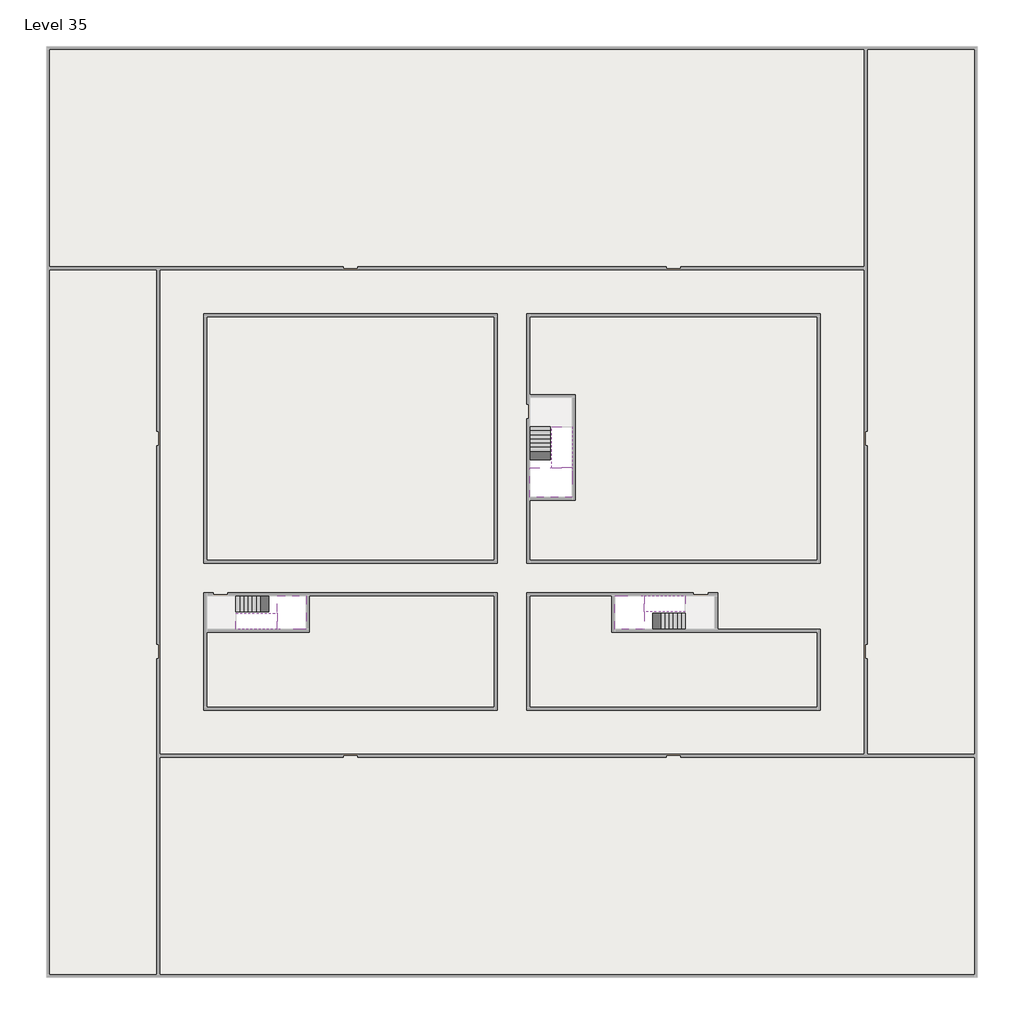
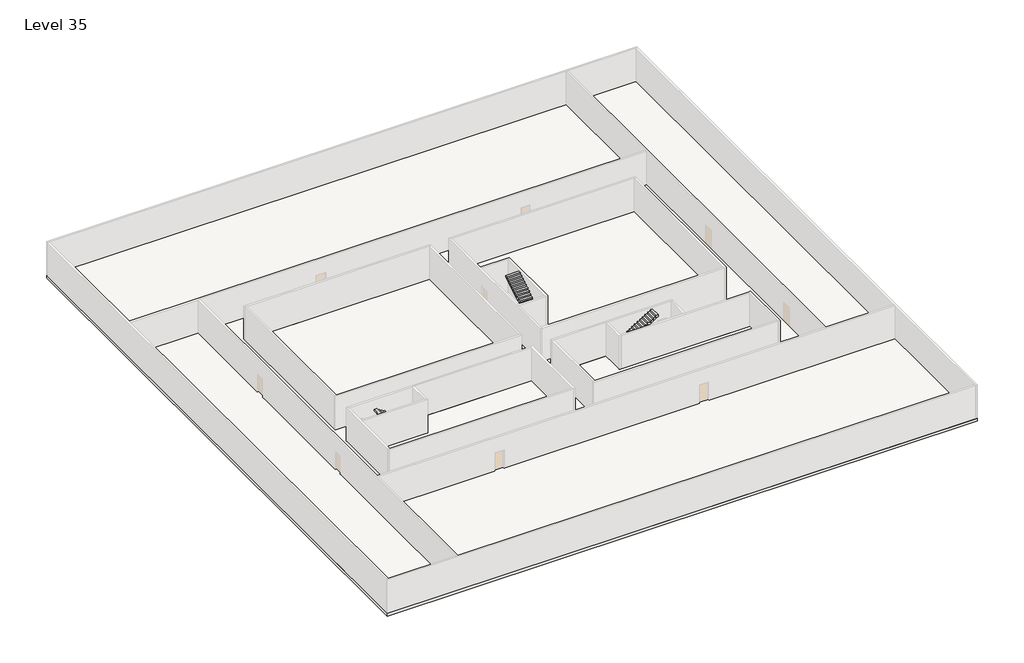
# One storey, part 2 of 2: 6 stair flights, 5 slabs.
"""IFC4 building model written with IfcOpenShell, lengths in millimetres."""

import ifcopenshell
import ifcopenshell.guid

model = None  # the IFC model being written
_history = None  # IfcOwnerHistory: only IFC2X3 demands one
_inside = {}  # id of a spatial element -> (the spatial element, [elements in it])
_under = {}  # id of a project, library or spatial element -> (it, [spatial elements below it])
_declared = {}  # id of a project -> (the project, [libraries it declares])
_typed = {}  # id of a type object -> (the type object, [elements of that type])
_made_of = {}  # id of a material, layer set ... -> (it, [elements and type objects made of it])


def new_model(schema):
    """Start an empty IFC model of exactly this schema.

    Asked for "IFC4X3", IfcOpenShell would pick the latest addendum, in which some entities
    have other attributes; the version numbers below select the first issue.
    IFC2X3 requires an IfcOwnerHistory on every rooted entity: one is made here for all.
    """
    global model, _history
    if schema == "IFC4X3":
        model = ifcopenshell.file(schema_version=(4, 3, 0, 0))
    else:
        model = ifcopenshell.file(schema=schema)
    _inside.clear()
    _under.clear()
    _declared.clear()
    _typed.clear()
    _made_of.clear()
    _history = None
    if model.schema == "IFC2X3":
        org = make("IfcOrganization", Name="unknown")
        user = make(
            "IfcPersonAndOrganization",
            ThePerson=make("IfcPerson", FamilyName="unknown"),
            TheOrganization=org,
        )
        app = make(
            "IfcApplication",
            ApplicationDeveloper=org,
            Version="unknown",
            ApplicationFullName="unknown",
            ApplicationIdentifier="unknown",
        )
        _history = make(
            "IfcOwnerHistory",
            OwningUser=user,
            OwningApplication=app,
            ChangeAction="ADDED",
            CreationDate=0,
        )
    return model


def make(cls, **values):
    """One entity of the class cls with the attributes given. An attribute that is None is left unset."""
    return model.create_entity(
        cls, **{name: value for name, value in values.items() if value is not None}
    )


def rooted(cls, **values):
    """An entity with a GlobalId (a new one), such as an element, a storey or a relation."""
    return make(cls, GlobalId=ifcopenshell.guid.new(), OwnerHistory=_history, **values)


def si_unit(unit_type, name, prefix=None):
    """IfcSIUnit, for example si_unit("LENGTHUNIT", "METRE", prefix="MILLI")."""
    return make("IfcSIUnit", UnitType=unit_type, Prefix=prefix, Name=name)


def assignment(units):
    """IfcUnitAssignment: the units of a project."""
    return None if units is None else make("IfcUnitAssignment", Units=units)


def point(xyz):
    """IfcCartesianPoint."""
    return None if xyz is None else make("IfcCartesianPoint", Coordinates=xyz)


def direction(xyz):
    """IfcDirection."""
    return None if xyz is None else make("IfcDirection", DirectionRatios=xyz)


def frame(location, z_axis=None, x_axis=None):
    """IfcAxis2Placement3D, a coordinate frame: its origin and axes. An axis left out is left unset."""
    return make(
        "IfcAxis2Placement3D",
        Location=point(location),
        Axis=direction(z_axis),
        RefDirection=direction(x_axis),
    )


def origin():
    """The frame at (0, 0, 0) with its axes left unset."""
    return frame((0.0, 0.0, 0.0))


def place(relative_to, where):
    """IfcLocalPlacement: puts the frame where relative to a parent placement (None: the world)."""
    return make(
        "IfcLocalPlacement", PlacementRelTo=relative_to, RelativePlacement=where
    )


def context(
    kind, dimensions, precision=None, world=None, true_north=None, identifier=None
):
    """IfcGeometricRepresentationContext, for example the 3D "Model" context."""
    return make(
        "IfcGeometricRepresentationContext",
        ContextIdentifier=identifier,
        ContextType=kind,
        CoordinateSpaceDimension=dimensions,
        Precision=precision,
        WorldCoordinateSystem=world,
        TrueNorth=true_north,
    )


def project(units=None, contexts=None):
    """IfcProject with its units and contexts."""
    return rooted(
        "IfcProject",
        Name="project",
        RepresentationContexts=contexts,
        UnitsInContext=assignment(units),
    )


def spatial(cls, under=None, at=None, **own):
    """A site, building, storey or space (cls), placed at a placement, below another one or the project."""
    s = rooted(cls, ObjectPlacement=at, **own)
    if under is not None:
        _under.setdefault(under.id(), (under, []))[1].append(s)
    return s


def polyline(points):
    """IfcPolyline through the points."""
    return make("IfcPolyline", Points=[point(p) for p in points])


def outline(outer, holes=None, kind="AREA"):
    """IfcArbitraryClosedProfileDef: a profile drawn as a closed curve; with holes, ...WithVoids."""
    if holes is None:
        return make("IfcArbitraryClosedProfileDef", ProfileType=kind, OuterCurve=outer)
    return make(
        "IfcArbitraryProfileDefWithVoids",
        ProfileType=kind,
        OuterCurve=outer,
        InnerCurves=holes,
    )


def extrude(swept, where, along, depth):
    """IfcExtrudedAreaSolid: the profile swept, set in the frame where, extruded along a direction by depth."""
    return make(
        "IfcExtrudedAreaSolid",
        SweptArea=swept,
        Position=where,
        ExtrudedDirection=direction(along),
        Depth=depth,
    )


def faces_of(points, faces, orient=None, outer=None):
    """IfcFace entities. A face is a list of loops; a loop is a list of indices into points, from 0.

    orient and outer hold one flag for each loop. By default every Orientation is true, the
    first loop of a face is its IfcFaceOuterBound and the others are IfcFaceBound.
    """
    made = []
    for i, loops in enumerate(faces):
        bounds = []
        for j, loop in enumerate(loops):
            is_outer = j == 0 if outer is None else outer[i][j]
            bounds.append(
                make(
                    "IfcFaceOuterBound" if is_outer else "IfcFaceBound",
                    Bound=make("IfcPolyLoop", Polygon=[points[k] for k in loop]),
                    Orientation=True if orient is None else orient[i][j],
                )
            )
        made.append(make("IfcFace", Bounds=bounds))
    return made


def faceted_brep(points, faces, orient=None, outer=None, voids=None):
    """IfcFacetedBrep: a solid bounded by flat faces; with voids (closed shells), ...WithVoids."""
    shared = [point(p) for p in points]
    hull = make("IfcClosedShell", CfsFaces=faces_of(shared, faces, orient, outer))
    if voids is None:
        return make("IfcFacetedBrep", Outer=hull)
    return make(
        "IfcFacetedBrepWithVoids",
        Outer=hull,
        Voids=[
            make(cls, CfsFaces=faces_of(shared, fs, o, b)) for cls, fs, o, b in voids
        ],
    )


def shape(context_of_items, identifier, shape_type, items):
    """IfcShapeRepresentation: the items that make up one representation, for example the "Body"."""
    return make(
        "IfcShapeRepresentation",
        ContextOfItems=context_of_items,
        RepresentationIdentifier=identifier,
        RepresentationType=shape_type,
        Items=items,
    )


def made_of(thing, what):
    """Note that an element or type object is made of a material, layer set ...; save() writes the relation."""
    if what is not None:
        _made_of.setdefault(what.id(), (what, []))[1].append(thing)
    return thing


def element(
    cls,
    number,
    at=None,
    inside=None,
    cuts=None,
    type_object=None,
    material=None,
    context=None,
    identifier="Body",
    shape_type=None,
    held_by="IfcProductDefinitionShape",
    body=None,
    shapes=None,
    **own,
):
    """One element of the class cls, such as IfcWall. Its Tag is "e" and its number.

    at: its placement. inside: the storey or other place that contains it. cuts: it is an
    opening in that element (IfcRelVoidsElement). A single representation is given by context,
    identifier, shape_type and body (its items); several are given by shapes. held_by: the class
    of the entity that holds the representations. save() writes the other relations.
    """
    e = rooted(cls, Tag="e%d" % number, ObjectPlacement=at, **own)
    if body is not None:
        shapes = [shape(context, identifier, shape_type, body)]
    if shapes is not None:
        e.Representation = make(held_by, Representations=shapes)
    if inside is not None:
        _inside.setdefault(inside.id(), (inside, []))[1].append(e)
    if cuts is not None:
        rooted(
            "IfcRelVoidsElement", RelatingBuildingElement=cuts, RelatedOpeningElement=e
        )
    if type_object is not None:
        _typed.setdefault(type_object.id(), (type_object, []))[1].append(e)
    return made_of(e, material)


def aggregate(whole, parts):
    """IfcRelAggregates: a whole, such as a stair, and the parts it consists of."""
    return rooted("IfcRelAggregates", RelatingObject=whole, RelatedObjects=parts)


def save(model, path):
    """Write the relations noted so far, then the file.

    IfcRelAggregates (storeys below a building ...), IfcRelContainedInSpatialStructure (elements
    in a storey), IfcRelDefinesByType, IfcRelAssociatesMaterial and IfcRelDeclares: one each for
    every whole, place, type object, material and project.
    """
    for whole, parts in _under.values():
        aggregate(whole, parts)
    for where, things in _inside.values():
        rooted(
            "IfcRelContainedInSpatialStructure",
            RelatedElements=things,
            RelatingStructure=where,
        )
    for kind, things in _typed.values():
        rooted("IfcRelDefinesByType", RelatedObjects=things, RelatingType=kind)
    for what, things in _made_of.values():
        rooted("IfcRelAssociatesMaterial", RelatedObjects=things, RelatingMaterial=what)
    for by, libraries in _declared.values():
        rooted("IfcRelDeclares", RelatingContext=by, RelatedDefinitions=libraries)
    model.write(path)


model = new_model("IFC4")

# Units and contexts
model_context = context("Model", 3, world=origin())
ifc_project = project(units=[si_unit("LENGTHUNIT", "METRE", prefix="MILLI")], contexts=[model_context])

# Site, building, storey
site = spatial("IfcSite", under=ifc_project)
building = spatial("IfcBuilding", under=site)
storey = spatial("IfcBuildingStorey", under=building, Name="Level 35", Elevation=129200.0)

# Slabs
placement = place(None, origin())
element("IfcSlab", 1, at=placement, inside=storey, context=model_context, shape_type="Brep", body=[
    faceted_brep([(8190.1058784, -42918.09644, 131100.0), (8190.1058784, -44018.09644, 131100.0), (8190.1058784, -44118.09644, 131100.0), (8190.1058784, -45218.09644, 131100.0), (8390.7194421, -45218.09644, 131100.0), (10190.1058784, -45218.09644, 131100.0), (10190.1058784, -42918.09644, 131100.0), (8269.4923146, -42918.09644, 131100.0), (8190.1058784, -42918.09644, 130927.2727273), (8190.1058784, -42918.09644, 130751.0278478), (8190.1058784, -44018.09644, 130751.0278478), (8190.1058784, -44018.09644, 130800.0), (8190.1058784, -44118.09644, 130800.0), (8190.1058784, -44118.09644, 130923.7551205), (8190.1058784, -45218.09644, 130923.7551205), (8390.7194421, -45218.09644, 130800.0), (10190.1058784, -45218.09644, 130800.0), (10190.1058784, -42918.09644, 130800.0), (8269.4923146, -42918.09644, 130800.0), (8390.7194421, -44118.09644, 130800.0), (8269.4923146, -44018.09644, 130800.0)], [[[0, 1, 2, 3, 4, 5, 6, 7]], [[1, 0, 8, 9, 10, 11]], [[2, 1, 11, 12, 13]], [[3, 2, 13, 14]], [[3, 14, 15, 16, 5, 4]], [[6, 5, 16, 17]], [[9, 8, 0, 7, 6, 17, 18]], [[19, 12, 11, 20, 18, 17, 16, 15]], [[12, 19, 13]], [[18, 20, 10, 9]], [[20, 11, 10]], [[19, 15, 14, 13]]]),
])
element("IfcSlab", 2, at=placement, inside=storey, context=model_context, shape_type="Brep", body=[
    faceted_brep([(33190.1058784, -45218.09644, 131100.0), (33190.1058784, -44118.09644, 131100.0), (33190.1058784, -44018.09644, 131100.0), (33190.1058784, -42918.09644, 131100.0), (32989.4923146, -42918.09644, 131100.0), (31190.1058784, -42918.09644, 131100.0), (31190.1058784, -45218.09644, 131100.0), (33110.7194421, -45218.09644, 131100.0), (33190.1058784, -45218.09644, 130927.2727273), (33190.1058784, -45218.09644, 130751.0278478), (33190.1058784, -44118.09644, 130751.0278478), (33190.1058784, -44118.09644, 130800.0), (33190.1058784, -44018.09644, 130800.0), (33190.1058784, -44018.09644, 130923.7551205), (33190.1058784, -42918.09644, 130923.7551205), (32989.4923146, -42918.09644, 130800.0), (31190.1058784, -42918.09644, 130800.0), (31190.1058784, -45218.09644, 130800.0), (33110.7194421, -45218.09644, 130800.0), (32989.4923146, -44018.09644, 130800.0), (33110.7194421, -44118.09644, 130800.0)], [[[0, 1, 2, 3, 4, 5, 6, 7]], [[1, 0, 8, 9, 10, 11]], [[2, 1, 11, 12, 13]], [[3, 2, 13, 14]], [[3, 14, 15, 16, 5, 4]], [[6, 5, 16, 17]], [[9, 8, 0, 7, 6, 17, 18]], [[19, 12, 11, 20, 18, 17, 16, 15]], [[12, 19, 13]], [[18, 20, 10, 9]], [[20, 11, 10]], [[19, 15, 14, 13]]]),
])
element("IfcSlab", 3, at=placement, inside=storey, context=model_context, shape_type="Brep", body=[
    faceted_brep([(26790.1058784, -34218.09644, 131100.0), (25390.1058784, -34218.09644, 131100.0), (25390.1058784, -34297.4828763, 131100.0), (25390.1058784, -36218.09644, 131100.0), (28290.1058784, -36218.09644, 131100.0), (28290.1058784, -34418.7100038, 131100.0), (28290.1058784, -34218.09644, 131100.0), (26890.1058784, -34218.09644, 131100.0), (26790.1058784, -34218.09644, 130800.0), (26790.1058784, -34218.09644, 130751.0278478), (25390.1058784, -34218.09644, 130751.0278478), (25390.1058784, -34218.09644, 130927.2727273), (25390.1058784, -34297.4828763, 130800.0), (25390.1058784, -36218.09644, 130800.0), (28290.1058784, -36218.09644, 130800.0), (28290.1058784, -34418.7100038, 130800.0), (28290.1058784, -34218.09644, 130923.7551205), (26890.1058784, -34218.09644, 130923.7551205), (26890.1058784, -34218.09644, 130800.0), (26890.1058784, -34418.7100038, 130800.0), (26790.1058784, -34297.4828763, 130800.0)], [[[0, 1, 2, 3, 4, 5, 6, 7]], [[1, 0, 8, 9, 10, 11]], [[1, 11, 10, 12, 13, 3, 2]], [[4, 3, 13, 14]], [[4, 14, 15, 16, 6, 5]], [[7, 6, 16, 17]], [[0, 7, 17, 18, 8]], [[18, 19, 15, 14, 13, 12, 20, 8]], [[19, 18, 17]], [[20, 12, 10, 9]], [[8, 20, 9]], [[15, 19, 17, 16]]]),
])
element("IfcSlab", 4, at=placement, inside=storey, context=model_context, shape_type="SweptSolid", body=[
    extrude(outline(polyline([(55890.1058784, -5518.09644), (55890.1058784, -68918.09644), (-7509.8941216, -68918.09644), (-7509.8941216, -5518.09644), (55890.1058784, -5518.09644)]), holes=[polyline([(22990.1058784, -23918.09644), (3390.1058784, -23918.09644), (3390.1058784, -40518.09644), (22990.1058784, -40518.09644), (22990.1058784, -23918.09644)]), polyline([(44990.1058784, -23918.09644), (25390.1058784, -23918.09644), (25390.1058784, -40518.09644), (44990.1058784, -40518.09644), (44990.1058784, -23918.09644)]), polyline([(37990.1058784, -42918.09644), (25390.1058784, -42918.09644), (25390.1058784, -50518.09644), (44990.1058784, -50518.09644), (44990.1058784, -45418.09644), (37990.1058784, -45418.09644), (37990.1058784, -42918.09644)]), polyline([(22990.1058784, -42918.09644), (3390.1058784, -42918.09644), (3390.1058784, -50518.09644), (22990.1058784, -50518.09644), (22990.1058784, -42918.09644)])]), frame((0.0, 0.0, 128900.0), z_axis=(0.0, 0.0, 1.0), x_axis=(1.0, 0.0, 0.0)), (0.0, 0.0, 1.0), 300.0),
])
element("IfcSlab", 5, at=placement, inside=storey, context=model_context, shape_type="SweptSolid", body=[
    extrude(outline(polyline([(22990.1058784, -23918.09644), (22990.1058784, -40518.09644), (3390.1058784, -40518.09644), (3390.1058784, -23918.09644), (22990.1058784, -23918.09644)])), frame((0.0, 0.0, 128900.0), z_axis=(0.0, 0.0, 1.0), x_axis=(1.0, 0.0, 0.0)), (0.0, 0.0, 1.0), 300.0),
    extrude(outline(polyline([(44990.1058784, -23918.09644), (44990.1058784, -40518.09644), (25390.1058784, -40518.09644), (25390.1058784, -36418.09644), (28490.1058784, -36418.09644), (28490.1058784, -29218.09644), (25390.1058784, -29218.09644), (25390.1058784, -23918.09644), (44990.1058784, -23918.09644)])), frame((0.0, 0.0, 128900.0), z_axis=(0.0, 0.0, 1.0), x_axis=(1.0, 0.0, 0.0)), (0.0, 0.0, 1.0), 300.0),
    extrude(outline(polyline([(22990.1058784, -42918.09644), (22990.1058784, -50518.09644), (3390.1058784, -50518.09644), (3390.1058784, -45418.09644), (10390.1058784, -45418.09644), (10390.1058784, -42918.09644), (22990.1058784, -42918.09644)])), frame((0.0, 0.0, 128900.0), z_axis=(0.0, 0.0, 1.0), x_axis=(1.0, 0.0, 0.0)), (0.0, 0.0, 1.0), 300.0),
    extrude(outline(polyline([(30990.1058784, -42918.09644), (30990.1058784, -45418.09644), (44990.1058784, -45418.09644), (44990.1058784, -50518.09644), (25390.1058784, -50518.09644), (25390.1058784, -42918.09644), (30990.1058784, -42918.09644)])), frame((0.0, 0.0, 128900.0), z_axis=(0.0, 0.0, 1.0), x_axis=(1.0, 0.0, 0.0)), (0.0, 0.0, 1.0), 300.0),
])

# Stair flights
element("IfcStairFlight", 6, at=placement, inside=storey, context=model_context, shape_type="Brep", body=[
    faceted_brep([(5670.1058784, -42918.09644, 129372.7272727), (5390.1058784, -42918.09644, 129372.7272727), (5390.1058784, -44018.09644, 129372.7272727), (5670.1058784, -44018.09644, 129372.7272727), (5670.1058784, -42918.09644, 129200.0), (5390.1058784, -42918.09644, 129200.0), (5390.1058784, -44018.09644, 129200.0), (5670.1058784, -44018.09644, 129200.0), (5950.1058784, -42918.09644, 129545.4545455), (5670.1058784, -42918.09644, 129545.4545455), (5670.1058784, -44018.09644, 129545.4545455), (5950.1058784, -44018.09644, 129545.4545455), (5950.1058784, -42918.09644, 129369.209666), (5675.8081041, -42918.09644, 129200.0), (5675.8081041, -44018.09644, 129200.0), (5950.1058784, -44018.09644, 129369.209666), (6230.1058784, -42918.09644, 129718.1818182), (5950.1058784, -42918.09644, 129718.1818182), (5950.1058784, -44018.09644, 129718.1818182), (6230.1058784, -44018.09644, 129718.1818182), (6230.1058784, -42918.09644, 129541.9369387), (6230.1058784, -44018.09644, 129541.9369387), (6510.1058784, -42918.09644, 129890.9090909), (6230.1058784, -42918.09644, 129890.9090909), (6230.1058784, -44018.09644, 129890.9090909), (6510.1058784, -44018.09644, 129890.9090909), (6510.1058784, -42918.09644, 129714.6642114), (6510.1058784, -44018.09644, 129714.6642114), (6790.1058784, -42918.09644, 130063.6363636), (6510.1058784, -42918.09644, 130063.6363636), (6510.1058784, -44018.09644, 130063.6363636), (6790.1058784, -44018.09644, 130063.6363636), (6790.1058784, -42918.09644, 129887.3914841), (6790.1058784, -44018.09644, 129887.3914841), (7070.1058784, -42918.09644, 130236.3636364), (6790.1058784, -42918.09644, 130236.3636364), (6790.1058784, -44018.09644, 130236.3636364), (7070.1058784, -44018.09644, 130236.3636364), (7070.1058784, -42918.09644, 130060.1187569), (7070.1058784, -44018.09644, 130060.1187569), (7350.1058784, -42918.09644, 130409.0909091), (7070.1058784, -42918.09644, 130409.0909091), (7070.1058784, -44018.09644, 130409.0909091), (7350.1058784, -44018.09644, 130409.0909091), (7350.1058784, -42918.09644, 130232.8460296), (7350.1058784, -44018.09644, 130232.8460296), (7630.1058784, -42918.09644, 130581.8181818), (7350.1058784, -42918.09644, 130581.8181818), (7350.1058784, -44018.09644, 130581.8181818), (7630.1058784, -44018.09644, 130581.8181818), (7630.1058784, -42918.09644, 130405.5733023), (7630.1058784, -44018.09644, 130405.5733023), (7910.1058784, -42918.09644, 130754.5454545), (7630.1058784, -42918.09644, 130754.5454545), (7630.1058784, -44018.09644, 130754.5454545), (7910.1058784, -44018.09644, 130754.5454545), (7910.1058784, -42918.09644, 130578.3005751), (7910.1058784, -44018.09644, 130578.3005751), (8190.1058784, -42918.09644, 130927.2727273), (7910.1058784, -42918.09644, 130927.2727273), (7910.1058784, -44018.09644, 130927.2727273), (8190.1058784, -44018.09644, 130927.2727273), (8190.1058784, -42918.09644, 130751.0278478), (8190.1058784, -44018.09644, 130751.0278478), (8190.1058784, -44018.09644, 130800.0)], [[[0, 1, 2, 3]], [[1, 0, 4, 5]], [[2, 1, 5, 6]], [[3, 2, 6, 7]], [[8, 9, 10, 11]], [[4, 0, 9, 8, 12, 13]], [[0, 3, 10, 9]], [[3, 7, 14, 15, 11, 10]], [[16, 17, 18, 19]], [[17, 16, 20, 12, 8]], [[8, 11, 18, 17]], [[19, 18, 11, 15, 21]], [[22, 23, 24, 25]], [[23, 22, 26, 20, 16]], [[16, 19, 24, 23]], [[25, 24, 19, 21, 27]], [[28, 29, 30, 31]], [[29, 28, 32, 26, 22]], [[22, 25, 30, 29]], [[31, 30, 25, 27, 33]], [[34, 35, 36, 37]], [[35, 34, 38, 32, 28]], [[28, 31, 36, 35]], [[37, 36, 31, 33, 39]], [[40, 41, 42, 43]], [[41, 40, 44, 38, 34]], [[34, 37, 42, 41]], [[43, 42, 37, 39, 45]], [[46, 47, 48, 49]], [[47, 46, 50, 44, 40]], [[40, 43, 48, 47]], [[49, 48, 43, 45, 51]], [[52, 53, 54, 55]], [[53, 52, 56, 50, 46]], [[46, 49, 54, 53]], [[55, 54, 49, 51, 57]], [[58, 59, 60, 61]], [[59, 58, 62, 56, 52]], [[52, 55, 60, 59]], [[61, 60, 55, 57, 63, 64]], [[58, 61, 64, 63, 62]], [[5, 4, 13, 14, 7, 6]], [[14, 13, 12, 20, 26, 32, 38, 44, 50, 56, 62, 63, 57, 51, 45, 39, 33, 27, 21, 15]]]),
])
element("IfcStairFlight", 7, at=placement, inside=storey, context=model_context, shape_type="Brep", body=[
    faceted_brep([(7910.1058784, -45218.09644, 131272.7272727), (8190.1058784, -45218.09644, 131272.7272727), (8190.1058784, -44118.09644, 131272.7272727), (7910.1058784, -44118.09644, 131272.7272727), (7910.1058784, -45218.09644, 131096.4823932), (8190.1058784, -45218.09644, 130923.7551205), (8190.1058784, -45218.09644, 131100.0), (8190.1058784, -44118.09644, 130923.7551205), (7910.1058784, -44118.09644, 131096.4823932), (7630.1058784, -45218.09644, 131445.4545455), (7910.1058784, -45218.09644, 131445.4545455), (7910.1058784, -44118.09644, 131445.4545455), (7630.1058784, -44118.09644, 131445.4545455), (7630.1058784, -45218.09644, 131269.209666), (7630.1058784, -44118.09644, 131269.209666), (7350.1058784, -45218.09644, 131618.1818182), (7630.1058784, -45218.09644, 131618.1818182), (7630.1058784, -44118.09644, 131618.1818182), (7350.1058784, -44118.09644, 131618.1818182), (7350.1058784, -45218.09644, 131441.9369387), (7350.1058784, -44118.09644, 131441.9369387), (7070.1058784, -45218.09644, 131790.9090909), (7350.1058784, -45218.09644, 131790.9090909), (7350.1058784, -44118.09644, 131790.9090909), (7070.1058784, -44118.09644, 131790.9090909), (7070.1058784, -45218.09644, 131614.6642114), (7070.1058784, -44118.09644, 131614.6642114), (6790.1058784, -45218.09644, 131963.6363636), (7070.1058784, -45218.09644, 131963.6363636), (7070.1058784, -44118.09644, 131963.6363636), (6790.1058784, -44118.09644, 131963.6363636), (6790.1058784, -45218.09644, 131787.3914841), (6790.1058784, -44118.09644, 131787.3914841), (6510.1058784, -45218.09644, 132136.3636364), (6790.1058784, -45218.09644, 132136.3636364), (6790.1058784, -44118.09644, 132136.3636364), (6510.1058784, -44118.09644, 132136.3636364), (6510.1058784, -45218.09644, 131960.1187569), (6510.1058784, -44118.09644, 131960.1187569), (6230.1058784, -45218.09644, 132309.0909091), (6510.1058784, -45218.09644, 132309.0909091), (6510.1058784, -44118.09644, 132309.0909091), (6230.1058784, -44118.09644, 132309.0909091), (6230.1058784, -45218.09644, 132132.8460296), (6230.1058784, -44118.09644, 132132.8460296), (5950.1058784, -45218.09644, 132481.8181818), (6230.1058784, -45218.09644, 132481.8181818), (6230.1058784, -44118.09644, 132481.8181818), (5950.1058784, -44118.09644, 132481.8181818), (5950.1058784, -45218.09644, 132305.5733023), (5950.1058784, -44118.09644, 132305.5733023), (5670.1058784, -45218.09644, 132654.5454545), (5950.1058784, -45218.09644, 132654.5454545), (5950.1058784, -44118.09644, 132654.5454545), (5670.1058784, -44118.09644, 132654.5454545), (5670.1058784, -45218.09644, 132478.3005751), (5670.1058784, -44118.09644, 132478.3005751), (5390.1058784, -45218.09644, 132827.2727273), (5670.1058784, -45218.09644, 132827.2727273), (5670.1058784, -44118.09644, 132827.2727273), (5390.1058784, -44118.09644, 132827.2727273), (5390.1058784, -45218.09644, 132651.0278478), (5390.1058784, -44118.09644, 132651.0278478)], [[[0, 1, 2, 3]], [[1, 0, 4, 5, 6]], [[2, 1, 6, 5, 7]], [[3, 2, 7, 8]], [[9, 10, 11, 12]], [[10, 9, 13, 4, 0]], [[11, 10, 0, 3]], [[12, 11, 3, 8, 14]], [[15, 16, 17, 18]], [[16, 15, 19, 13, 9]], [[17, 16, 9, 12]], [[18, 17, 12, 14, 20]], [[21, 22, 23, 24]], [[22, 21, 25, 19, 15]], [[23, 22, 15, 18]], [[24, 23, 18, 20, 26]], [[27, 28, 29, 30]], [[28, 27, 31, 25, 21]], [[29, 28, 21, 24]], [[30, 29, 24, 26, 32]], [[33, 34, 35, 36]], [[34, 33, 37, 31, 27]], [[35, 34, 27, 30]], [[36, 35, 30, 32, 38]], [[39, 40, 41, 42]], [[40, 39, 43, 37, 33]], [[41, 40, 33, 36]], [[42, 41, 36, 38, 44]], [[45, 46, 47, 48]], [[46, 45, 49, 43, 39]], [[47, 46, 39, 42]], [[48, 47, 42, 44, 50]], [[51, 52, 53, 54]], [[52, 51, 55, 49, 45]], [[53, 52, 45, 48]], [[54, 53, 48, 50, 56]], [[57, 58, 59, 60]], [[58, 57, 61, 55, 51]], [[59, 58, 51, 54]], [[60, 59, 54, 56, 62]], [[57, 60, 62, 61]], [[5, 4, 13, 19, 25, 31, 37, 43, 49, 55, 61, 62, 56, 50, 44, 38, 32, 26, 20, 14, 8, 7]]]),
])
element("IfcStairFlight", 8, at=placement, inside=storey, context=model_context, shape_type="Brep", body=[
    faceted_brep([(35710.1058784, -45218.09644, 129372.7272727), (35990.1058784, -45218.09644, 129372.7272727), (35990.1058784, -44118.09644, 129372.7272727), (35710.1058784, -44118.09644, 129372.7272727), (35710.1058784, -45218.09644, 129200.0), (35990.1058784, -45218.09644, 129200.0), (35990.1058784, -44118.09644, 129200.0), (35710.1058784, -44118.09644, 129200.0), (35430.1058784, -45218.09644, 129545.4545455), (35710.1058784, -45218.09644, 129545.4545455), (35710.1058784, -44118.09644, 129545.4545455), (35430.1058784, -44118.09644, 129545.4545455), (35430.1058784, -45218.09644, 129369.209666), (35704.4036527, -45218.09644, 129200.0), (35704.4036527, -44118.09644, 129200.0), (35430.1058784, -44118.09644, 129369.209666), (35150.1058784, -45218.09644, 129718.1818182), (35430.1058784, -45218.09644, 129718.1818182), (35430.1058784, -44118.09644, 129718.1818182), (35150.1058784, -44118.09644, 129718.1818182), (35150.1058784, -45218.09644, 129541.9369387), (35150.1058784, -44118.09644, 129541.9369387), (34870.1058784, -45218.09644, 129890.9090909), (35150.1058784, -45218.09644, 129890.9090909), (35150.1058784, -44118.09644, 129890.9090909), (34870.1058784, -44118.09644, 129890.9090909), (34870.1058784, -45218.09644, 129714.6642114), (34870.1058784, -44118.09644, 129714.6642114), (34590.1058784, -45218.09644, 130063.6363636), (34870.1058784, -45218.09644, 130063.6363636), (34870.1058784, -44118.09644, 130063.6363636), (34590.1058784, -44118.09644, 130063.6363636), (34590.1058784, -45218.09644, 129887.3914841), (34590.1058784, -44118.09644, 129887.3914841), (34310.1058784, -45218.09644, 130236.3636364), (34590.1058784, -45218.09644, 130236.3636364), (34590.1058784, -44118.09644, 130236.3636364), (34310.1058784, -44118.09644, 130236.3636364), (34310.1058784, -45218.09644, 130060.1187569), (34310.1058784, -44118.09644, 130060.1187569), (34030.1058784, -45218.09644, 130409.0909091), (34310.1058784, -45218.09644, 130409.0909091), (34310.1058784, -44118.09644, 130409.0909091), (34030.1058784, -44118.09644, 130409.0909091), (34030.1058784, -45218.09644, 130232.8460296), (34030.1058784, -44118.09644, 130232.8460296), (33750.1058784, -45218.09644, 130581.8181818), (34030.1058784, -45218.09644, 130581.8181818), (34030.1058784, -44118.09644, 130581.8181818), (33750.1058784, -44118.09644, 130581.8181818), (33750.1058784, -45218.09644, 130405.5733023), (33750.1058784, -44118.09644, 130405.5733023), (33470.1058784, -45218.09644, 130754.5454545), (33750.1058784, -45218.09644, 130754.5454545), (33750.1058784, -44118.09644, 130754.5454545), (33470.1058784, -44118.09644, 130754.5454545), (33470.1058784, -45218.09644, 130578.3005751), (33470.1058784, -44118.09644, 130578.3005751), (33190.1058784, -45218.09644, 130927.2727273), (33470.1058784, -45218.09644, 130927.2727273), (33470.1058784, -44118.09644, 130927.2727273), (33190.1058784, -44118.09644, 130927.2727273), (33190.1058784, -45218.09644, 130751.0278478), (33190.1058784, -44118.09644, 130751.0278478), (33190.1058784, -44118.09644, 130800.0)], [[[0, 1, 2, 3]], [[1, 0, 4, 5]], [[2, 1, 5, 6]], [[3, 2, 6, 7]], [[8, 9, 10, 11]], [[4, 0, 9, 8, 12, 13]], [[0, 3, 10, 9]], [[3, 7, 14, 15, 11, 10]], [[16, 17, 18, 19]], [[17, 16, 20, 12, 8]], [[8, 11, 18, 17]], [[19, 18, 11, 15, 21]], [[22, 23, 24, 25]], [[23, 22, 26, 20, 16]], [[16, 19, 24, 23]], [[25, 24, 19, 21, 27]], [[28, 29, 30, 31]], [[29, 28, 32, 26, 22]], [[22, 25, 30, 29]], [[31, 30, 25, 27, 33]], [[34, 35, 36, 37]], [[35, 34, 38, 32, 28]], [[28, 31, 36, 35]], [[37, 36, 31, 33, 39]], [[40, 41, 42, 43]], [[41, 40, 44, 38, 34]], [[34, 37, 42, 41]], [[43, 42, 37, 39, 45]], [[46, 47, 48, 49]], [[47, 46, 50, 44, 40]], [[40, 43, 48, 47]], [[49, 48, 43, 45, 51]], [[52, 53, 54, 55]], [[53, 52, 56, 50, 46]], [[46, 49, 54, 53]], [[55, 54, 49, 51, 57]], [[58, 59, 60, 61]], [[59, 58, 62, 56, 52]], [[52, 55, 60, 59]], [[61, 60, 55, 57, 63, 64]], [[58, 61, 64, 63, 62]], [[5, 4, 13, 14, 7, 6]], [[14, 13, 12, 20, 26, 32, 38, 44, 50, 56, 62, 63, 57, 51, 45, 39, 33, 27, 21, 15]]]),
])
element("IfcStairFlight", 9, at=placement, inside=storey, context=model_context, shape_type="Brep", body=[
    faceted_brep([(33470.1058784, -42918.09644, 131272.7272727), (33190.1058784, -42918.09644, 131272.7272727), (33190.1058784, -44018.09644, 131272.7272727), (33470.1058784, -44018.09644, 131272.7272727), (33470.1058784, -42918.09644, 131096.4823932), (33190.1058784, -42918.09644, 130923.7551205), (33190.1058784, -42918.09644, 131100.0), (33190.1058784, -44018.09644, 130923.7551205), (33470.1058784, -44018.09644, 131096.4823932), (33750.1058784, -42918.09644, 131445.4545455), (33470.1058784, -42918.09644, 131445.4545455), (33470.1058784, -44018.09644, 131445.4545455), (33750.1058784, -44018.09644, 131445.4545455), (33750.1058784, -42918.09644, 131269.209666), (33750.1058784, -44018.09644, 131269.209666), (34030.1058784, -42918.09644, 131618.1818182), (33750.1058784, -42918.09644, 131618.1818182), (33750.1058784, -44018.09644, 131618.1818182), (34030.1058784, -44018.09644, 131618.1818182), (34030.1058784, -42918.09644, 131441.9369387), (34030.1058784, -44018.09644, 131441.9369387), (34310.1058784, -42918.09644, 131790.9090909), (34030.1058784, -42918.09644, 131790.9090909), (34030.1058784, -44018.09644, 131790.9090909), (34310.1058784, -44018.09644, 131790.9090909), (34310.1058784, -42918.09644, 131614.6642114), (34310.1058784, -44018.09644, 131614.6642114), (34590.1058784, -42918.09644, 131963.6363636), (34310.1058784, -42918.09644, 131963.6363636), (34310.1058784, -44018.09644, 131963.6363636), (34590.1058784, -44018.09644, 131963.6363636), (34590.1058784, -42918.09644, 131787.3914841), (34590.1058784, -44018.09644, 131787.3914841), (34870.1058784, -42918.09644, 132136.3636364), (34590.1058784, -42918.09644, 132136.3636364), (34590.1058784, -44018.09644, 132136.3636364), (34870.1058784, -44018.09644, 132136.3636364), (34870.1058784, -42918.09644, 131960.1187569), (34870.1058784, -44018.09644, 131960.1187569), (35150.1058784, -42918.09644, 132309.0909091), (34870.1058784, -42918.09644, 132309.0909091), (34870.1058784, -44018.09644, 132309.0909091), (35150.1058784, -44018.09644, 132309.0909091), (35150.1058784, -42918.09644, 132132.8460296), (35150.1058784, -44018.09644, 132132.8460296), (35430.1058784, -42918.09644, 132481.8181818), (35150.1058784, -42918.09644, 132481.8181818), (35150.1058784, -44018.09644, 132481.8181818), (35430.1058784, -44018.09644, 132481.8181818), (35430.1058784, -42918.09644, 132305.5733023), (35430.1058784, -44018.09644, 132305.5733023), (35710.1058784, -42918.09644, 132654.5454545), (35430.1058784, -42918.09644, 132654.5454545), (35430.1058784, -44018.09644, 132654.5454545), (35710.1058784, -44018.09644, 132654.5454545), (35710.1058784, -42918.09644, 132478.3005751), (35710.1058784, -44018.09644, 132478.3005751), (35990.1058784, -42918.09644, 132827.2727273), (35710.1058784, -42918.09644, 132827.2727273), (35710.1058784, -44018.09644, 132827.2727273), (35990.1058784, -44018.09644, 132827.2727273), (35990.1058784, -42918.09644, 132651.0278478), (35990.1058784, -44018.09644, 132651.0278478)], [[[0, 1, 2, 3]], [[1, 0, 4, 5, 6]], [[2, 1, 6, 5, 7]], [[3, 2, 7, 8]], [[9, 10, 11, 12]], [[10, 9, 13, 4, 0]], [[11, 10, 0, 3]], [[12, 11, 3, 8, 14]], [[15, 16, 17, 18]], [[16, 15, 19, 13, 9]], [[17, 16, 9, 12]], [[18, 17, 12, 14, 20]], [[21, 22, 23, 24]], [[22, 21, 25, 19, 15]], [[23, 22, 15, 18]], [[24, 23, 18, 20, 26]], [[27, 28, 29, 30]], [[28, 27, 31, 25, 21]], [[29, 28, 21, 24]], [[30, 29, 24, 26, 32]], [[33, 34, 35, 36]], [[34, 33, 37, 31, 27]], [[35, 34, 27, 30]], [[36, 35, 30, 32, 38]], [[39, 40, 41, 42]], [[40, 39, 43, 37, 33]], [[41, 40, 33, 36]], [[42, 41, 36, 38, 44]], [[45, 46, 47, 48]], [[46, 45, 49, 43, 39]], [[47, 46, 39, 42]], [[48, 47, 42, 44, 50]], [[51, 52, 53, 54]], [[52, 51, 55, 49, 45]], [[53, 52, 45, 48]], [[54, 53, 48, 50, 56]], [[57, 58, 59, 60]], [[58, 57, 61, 55, 51]], [[59, 58, 51, 54]], [[60, 59, 54, 56, 62]], [[57, 60, 62, 61]], [[5, 4, 13, 19, 25, 31, 37, 43, 49, 55, 61, 62, 56, 50, 44, 38, 32, 26, 20, 14, 8, 7]]]),
])
element("IfcStairFlight", 10, at=placement, inside=storey, context=model_context, shape_type="Brep", body=[
    faceted_brep([(26790.1058784, -31698.09644, 129372.7272727), (26790.1058784, -31418.09644, 129372.7272727), (25390.1058784, -31418.09644, 129372.7272727), (25390.1058784, -31698.09644, 129372.7272727), (26790.1058784, -31698.09644, 129200.0), (26790.1058784, -31418.09644, 129200.0), (25390.1058784, -31418.09644, 129200.0), (25390.1058784, -31698.09644, 129200.0), (26790.1058784, -31978.09644, 129545.4545455), (26790.1058784, -31698.09644, 129545.4545455), (25390.1058784, -31698.09644, 129545.4545455), (25390.1058784, -31978.09644, 129545.4545455), (26790.1058784, -31978.09644, 129369.209666), (26790.1058784, -31703.7986657, 129200.0), (25390.1058784, -31703.7986657, 129200.0), (25390.1058784, -31978.09644, 129369.209666), (26790.1058784, -32258.09644, 129718.1818182), (26790.1058784, -31978.09644, 129718.1818182), (25390.1058784, -31978.09644, 129718.1818182), (25390.1058784, -32258.09644, 129718.1818182), (26790.1058784, -32258.09644, 129541.9369387), (25390.1058784, -32258.09644, 129541.9369387), (26790.1058784, -32538.09644, 129890.9090909), (26790.1058784, -32258.09644, 129890.9090909), (25390.1058784, -32258.09644, 129890.9090909), (25390.1058784, -32538.09644, 129890.9090909), (26790.1058784, -32538.09644, 129714.6642114), (25390.1058784, -32538.09644, 129714.6642114), (26790.1058784, -32818.09644, 130063.6363636), (26790.1058784, -32538.09644, 130063.6363636), (25390.1058784, -32538.09644, 130063.6363636), (25390.1058784, -32818.09644, 130063.6363636), (26790.1058784, -32818.09644, 129887.3914841), (25390.1058784, -32818.09644, 129887.3914841), (26790.1058784, -33098.09644, 130236.3636364), (26790.1058784, -32818.09644, 130236.3636364), (25390.1058784, -32818.09644, 130236.3636364), (25390.1058784, -33098.09644, 130236.3636364), (26790.1058784, -33098.09644, 130060.1187569), (25390.1058784, -33098.09644, 130060.1187569), (26790.1058784, -33378.09644, 130409.0909091), (26790.1058784, -33098.09644, 130409.0909091), (25390.1058784, -33098.09644, 130409.0909091), (25390.1058784, -33378.09644, 130409.0909091), (26790.1058784, -33378.09644, 130232.8460296), (25390.1058784, -33378.09644, 130232.8460296), (26790.1058784, -33658.09644, 130581.8181818), (26790.1058784, -33378.09644, 130581.8181818), (25390.1058784, -33378.09644, 130581.8181818), (25390.1058784, -33658.09644, 130581.8181818), (26790.1058784, -33658.09644, 130405.5733023), (25390.1058784, -33658.09644, 130405.5733023), (26790.1058784, -33938.09644, 130754.5454545), (26790.1058784, -33658.09644, 130754.5454545), (25390.1058784, -33658.09644, 130754.5454545), (25390.1058784, -33938.09644, 130754.5454545), (26790.1058784, -33938.09644, 130578.3005751), (25390.1058784, -33938.09644, 130578.3005751), (26790.1058784, -34218.09644, 130927.2727273), (26790.1058784, -33938.09644, 130927.2727273), (25390.1058784, -33938.09644, 130927.2727273), (25390.1058784, -34218.09644, 130927.2727273), (26790.1058784, -34218.09644, 130800.0), (26790.1058784, -34218.09644, 130751.0278478), (25390.1058784, -34218.09644, 130751.0278478)], [[[0, 1, 2, 3]], [[1, 0, 4, 5]], [[2, 1, 5, 6]], [[3, 2, 6, 7]], [[8, 9, 10, 11]], [[4, 0, 9, 8, 12, 13]], [[0, 3, 10, 9]], [[3, 7, 14, 15, 11, 10]], [[16, 17, 18, 19]], [[17, 16, 20, 12, 8]], [[8, 11, 18, 17]], [[19, 18, 11, 15, 21]], [[22, 23, 24, 25]], [[23, 22, 26, 20, 16]], [[16, 19, 24, 23]], [[25, 24, 19, 21, 27]], [[28, 29, 30, 31]], [[29, 28, 32, 26, 22]], [[22, 25, 30, 29]], [[31, 30, 25, 27, 33]], [[34, 35, 36, 37]], [[35, 34, 38, 32, 28]], [[28, 31, 36, 35]], [[37, 36, 31, 33, 39]], [[40, 41, 42, 43]], [[41, 40, 44, 38, 34]], [[34, 37, 42, 41]], [[43, 42, 37, 39, 45]], [[46, 47, 48, 49]], [[47, 46, 50, 44, 40]], [[40, 43, 48, 47]], [[49, 48, 43, 45, 51]], [[52, 53, 54, 55]], [[53, 52, 56, 50, 46]], [[46, 49, 54, 53]], [[55, 54, 49, 51, 57]], [[58, 59, 60, 61]], [[59, 58, 62, 63, 56, 52]], [[52, 55, 60, 59]], [[61, 60, 55, 57, 64]], [[58, 61, 64, 63, 62]], [[5, 4, 13, 14, 7, 6]], [[14, 13, 12, 20, 26, 32, 38, 44, 50, 56, 63, 64, 57, 51, 45, 39, 33, 27, 21, 15]]]),
])
element("IfcStairFlight", 11, at=placement, inside=storey, context=model_context, shape_type="Brep", body=[
    faceted_brep([(26890.1058784, -33938.09644, 131272.7272727), (26890.1058784, -34218.09644, 131272.7272727), (28290.1058784, -34218.09644, 131272.7272727), (28290.1058784, -33938.09644, 131272.7272727), (26890.1058784, -33938.09644, 131096.4823932), (26890.1058784, -34218.09644, 130923.7551205), (28290.1058784, -34218.09644, 130923.7551205), (28290.1058784, -34218.09644, 131100.0), (28290.1058784, -33938.09644, 131096.4823932), (26890.1058784, -33658.09644, 131445.4545455), (26890.1058784, -33938.09644, 131445.4545455), (28290.1058784, -33938.09644, 131445.4545455), (28290.1058784, -33658.09644, 131445.4545455), (26890.1058784, -33658.09644, 131269.209666), (28290.1058784, -33658.09644, 131269.209666), (26890.1058784, -33378.09644, 131618.1818182), (26890.1058784, -33658.09644, 131618.1818182), (28290.1058784, -33658.09644, 131618.1818182), (28290.1058784, -33378.09644, 131618.1818182), (26890.1058784, -33378.09644, 131441.9369387), (28290.1058784, -33378.09644, 131441.9369387), (26890.1058784, -33098.09644, 131790.9090909), (26890.1058784, -33378.09644, 131790.9090909), (28290.1058784, -33378.09644, 131790.9090909), (28290.1058784, -33098.09644, 131790.9090909), (26890.1058784, -33098.09644, 131614.6642114), (28290.1058784, -33098.09644, 131614.6642114), (26890.1058784, -32818.09644, 131963.6363636), (26890.1058784, -33098.09644, 131963.6363636), (28290.1058784, -33098.09644, 131963.6363636), (28290.1058784, -32818.09644, 131963.6363636), (26890.1058784, -32818.09644, 131787.3914841), (28290.1058784, -32818.09644, 131787.3914841), (26890.1058784, -32538.09644, 132136.3636364), (26890.1058784, -32818.09644, 132136.3636364), (28290.1058784, -32818.09644, 132136.3636364), (28290.1058784, -32538.09644, 132136.3636364), (26890.1058784, -32538.09644, 131960.1187569), (28290.1058784, -32538.09644, 131960.1187569), (26890.1058784, -32258.09644, 132309.0909091), (26890.1058784, -32538.09644, 132309.0909091), (28290.1058784, -32538.09644, 132309.0909091), (28290.1058784, -32258.09644, 132309.0909091), (26890.1058784, -32258.09644, 132132.8460296), (28290.1058784, -32258.09644, 132132.8460296), (26890.1058784, -31978.09644, 132481.8181818), (26890.1058784, -32258.09644, 132481.8181818), (28290.1058784, -32258.09644, 132481.8181818), (28290.1058784, -31978.09644, 132481.8181818), (26890.1058784, -31978.09644, 132305.5733023), (28290.1058784, -31978.09644, 132305.5733023), (26890.1058784, -31698.09644, 132654.5454545), (26890.1058784, -31978.09644, 132654.5454545), (28290.1058784, -31978.09644, 132654.5454545), (28290.1058784, -31698.09644, 132654.5454545), (26890.1058784, -31698.09644, 132478.3005751), (28290.1058784, -31698.09644, 132478.3005751), (26890.1058784, -31418.09644, 132827.2727273), (26890.1058784, -31698.09644, 132827.2727273), (28290.1058784, -31698.09644, 132827.2727273), (28290.1058784, -31418.09644, 132827.2727273), (26890.1058784, -31418.09644, 132651.0278478), (28290.1058784, -31418.09644, 132651.0278478)], [[[0, 1, 2, 3]], [[1, 0, 4, 5]], [[2, 1, 5, 6, 7]], [[3, 2, 7, 6, 8]], [[9, 10, 11, 12]], [[10, 9, 13, 4, 0]], [[11, 10, 0, 3]], [[12, 11, 3, 8, 14]], [[15, 16, 17, 18]], [[16, 15, 19, 13, 9]], [[17, 16, 9, 12]], [[18, 17, 12, 14, 20]], [[21, 22, 23, 24]], [[22, 21, 25, 19, 15]], [[23, 22, 15, 18]], [[24, 23, 18, 20, 26]], [[27, 28, 29, 30]], [[28, 27, 31, 25, 21]], [[29, 28, 21, 24]], [[30, 29, 24, 26, 32]], [[33, 34, 35, 36]], [[34, 33, 37, 31, 27]], [[35, 34, 27, 30]], [[36, 35, 30, 32, 38]], [[39, 40, 41, 42]], [[40, 39, 43, 37, 33]], [[41, 40, 33, 36]], [[42, 41, 36, 38, 44]], [[45, 46, 47, 48]], [[46, 45, 49, 43, 39]], [[47, 46, 39, 42]], [[48, 47, 42, 44, 50]], [[51, 52, 53, 54]], [[52, 51, 55, 49, 45]], [[53, 52, 45, 48]], [[54, 53, 48, 50, 56]], [[57, 58, 59, 60]], [[58, 57, 61, 55, 51]], [[59, 58, 51, 54]], [[60, 59, 54, 56, 62]], [[57, 60, 62, 61]], [[5, 4, 13, 19, 25, 31, 37, 43, 49, 55, 61, 62, 56, 50, 44, 38, 32, 26, 20, 14, 8, 6]]]),
])

save(model, "model.ifc")
